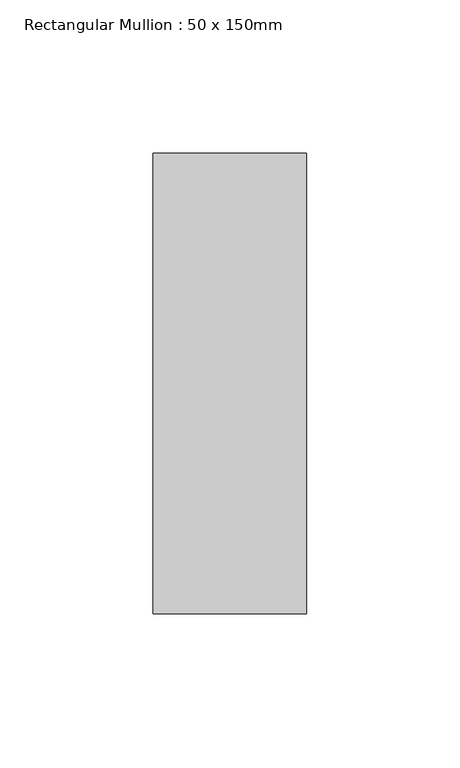
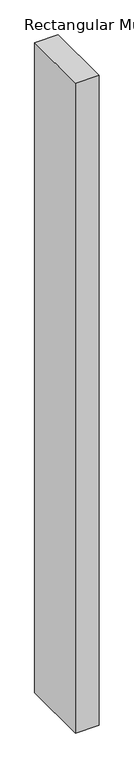
"""IFC4 building model written with IfcOpenShell, lengths in millimetres: member geometry, Rectangular Mullion : 50 x 150mm."""

from ifc_helpers import new_model, si_unit, frame, origin, place, context, project, spatial, polyline, outline, extrude, source, transform, mapped, element, save


def rectangular_mullion_50_x_150mm_40901336(model_context):
    return source(origin(), model_context, "Body", "SweptSolid", [
        extrude(outline(polyline([(0.0, 75.0), (0.0, -75.0), (-50.0, -75.0), (-50.0, 75.0), (0.0, 75.0)])), frame((0.0, 0.0, -1461.3002388), z_axis=(0.0, 0.0, 1.0), x_axis=(1.0, 0.0, 0.0)), (0.0, 0.0, 1.0), 1461.3002388),
    ])


if __name__ == "__main__":
    model = new_model("IFC4")
    model_context = context("Model", 3, world=origin())
    ifc_project = project(units=[si_unit("LENGTHUNIT", "METRE", prefix="MILLI")], contexts=[model_context])
    site = spatial("IfcSite", under=ifc_project)
    building = spatial("IfcBuilding", under=site)
    placement = place(None, origin())
    rectangular_mullion_50_x_150mm_shape = rectangular_mullion_50_x_150mm_40901336(model_context)
    element("IfcMember", 1, ObjectType="Rectangular Mullion : 50 x 150mm", at=placement, inside=building, context=model_context, shape_type="MappedRepresentation", body=[
        mapped(rectangular_mullion_50_x_150mm_shape, transform((0.0, 0.0, 0.0), x_axis=(1.0, 0.0, 0.0), y_axis=(0.0, 1.0, 0.0), z_axis=(0.0, 0.0, 1.0))),
    ])
    save(model, "model.ifc")
